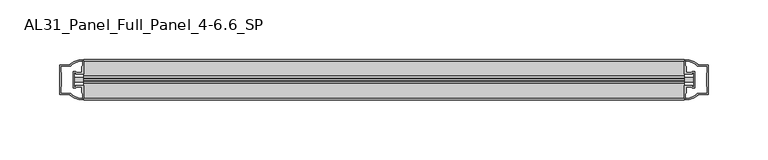
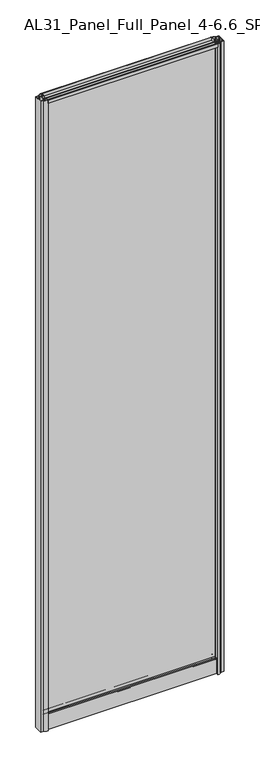
"""IFC4 building model written with IfcOpenShell, lengths in millimetres: plate geometry, AL31_Panel_Full_Panel_4-6.6_SP."""

import ifcopenshell
import ifcopenshell.guid

model = None  # the IFC model being written
_history = None  # IfcOwnerHistory: only IFC2X3 demands one
_inside = {}  # id of a spatial element -> (the spatial element, [elements in it])
_under = {}  # id of a project, library or spatial element -> (it, [spatial elements below it])
_declared = {}  # id of a project -> (the project, [libraries it declares])
_typed = {}  # id of a type object -> (the type object, [elements of that type])
_made_of = {}  # id of a material, layer set ... -> (it, [elements and type objects made of it])


def new_model(schema):
    """Start an empty IFC model of exactly this schema.

    Asked for "IFC4X3", IfcOpenShell would pick the latest addendum, in which some entities
    have other attributes; the version numbers below select the first issue.
    IFC2X3 requires an IfcOwnerHistory on every rooted entity: one is made here for all.
    """
    global model, _history
    if schema == "IFC4X3":
        model = ifcopenshell.file(schema_version=(4, 3, 0, 0))
    else:
        model = ifcopenshell.file(schema=schema)
    _inside.clear()
    _under.clear()
    _declared.clear()
    _typed.clear()
    _made_of.clear()
    _history = None
    if model.schema == "IFC2X3":
        org = make("IfcOrganization", Name="unknown")
        user = make(
            "IfcPersonAndOrganization",
            ThePerson=make("IfcPerson", FamilyName="unknown"),
            TheOrganization=org,
        )
        app = make(
            "IfcApplication",
            ApplicationDeveloper=org,
            Version="unknown",
            ApplicationFullName="unknown",
            ApplicationIdentifier="unknown",
        )
        _history = make(
            "IfcOwnerHistory",
            OwningUser=user,
            OwningApplication=app,
            ChangeAction="ADDED",
            CreationDate=0,
        )
    return model


def make(cls, **values):
    """One entity of the class cls with the attributes given. An attribute that is None is left unset."""
    return model.create_entity(
        cls, **{name: value for name, value in values.items() if value is not None}
    )


def rooted(cls, **values):
    """An entity with a GlobalId (a new one), such as an element, a storey or a relation."""
    return make(cls, GlobalId=ifcopenshell.guid.new(), OwnerHistory=_history, **values)


def si_unit(unit_type, name, prefix=None):
    """IfcSIUnit, for example si_unit("LENGTHUNIT", "METRE", prefix="MILLI")."""
    return make("IfcSIUnit", UnitType=unit_type, Prefix=prefix, Name=name)


def assignment(units):
    """IfcUnitAssignment: the units of a project."""
    return None if units is None else make("IfcUnitAssignment", Units=units)


def point(xyz):
    """IfcCartesianPoint."""
    return None if xyz is None else make("IfcCartesianPoint", Coordinates=xyz)


def direction(xyz):
    """IfcDirection."""
    return None if xyz is None else make("IfcDirection", DirectionRatios=xyz)


def frame(location, z_axis=None, x_axis=None):
    """IfcAxis2Placement3D, a coordinate frame: its origin and axes. An axis left out is left unset."""
    return make(
        "IfcAxis2Placement3D",
        Location=point(location),
        Axis=direction(z_axis),
        RefDirection=direction(x_axis),
    )


def frame_2d(location, x_axis=None):
    """IfcAxis2Placement2D, a coordinate frame in the plane: its origin and x axis."""
    return make(
        "IfcAxis2Placement2D", Location=point(location), RefDirection=direction(x_axis)
    )


def origin():
    """The frame at (0, 0, 0) with its axes left unset."""
    return frame((0.0, 0.0, 0.0))


def origin_with_axes():
    """The frame at (0, 0, 0) with the z axis (0, 0, 1) and the x axis (1, 0, 0) written out."""
    return frame((0.0, 0.0, 0.0), z_axis=(0.0, 0.0, 1.0), x_axis=(1.0, 0.0, 0.0))


def place(relative_to, where):
    """IfcLocalPlacement: puts the frame where relative to a parent placement (None: the world)."""
    return make(
        "IfcLocalPlacement", PlacementRelTo=relative_to, RelativePlacement=where
    )


def context(
    kind, dimensions, precision=None, world=None, true_north=None, identifier=None
):
    """IfcGeometricRepresentationContext, for example the 3D "Model" context."""
    return make(
        "IfcGeometricRepresentationContext",
        ContextIdentifier=identifier,
        ContextType=kind,
        CoordinateSpaceDimension=dimensions,
        Precision=precision,
        WorldCoordinateSystem=world,
        TrueNorth=true_north,
    )


def project(units=None, contexts=None):
    """IfcProject with its units and contexts."""
    return rooted(
        "IfcProject",
        Name="project",
        RepresentationContexts=contexts,
        UnitsInContext=assignment(units),
    )


def spatial(cls, under=None, at=None, **own):
    """A site, building, storey or space (cls), placed at a placement, below another one or the project."""
    s = rooted(cls, ObjectPlacement=at, **own)
    if under is not None:
        _under.setdefault(under.id(), (under, []))[1].append(s)
    return s


def polyline(points):
    """IfcPolyline through the points."""
    return make("IfcPolyline", Points=[point(p) for p in points])


def circle_curve(where, radius):
    """IfcCircle in the frame where."""
    return make("IfcCircle", Position=where, Radius=radius)


def trimmed(basis, trim1, trim2, sense, master):
    """IfcTrimmedCurve: the piece of a basis curve between two trims."""
    return make(
        "IfcTrimmedCurve",
        BasisCurve=basis,
        Trim1=trim1,
        Trim2=trim2,
        SenseAgreement=sense,
        MasterRepresentation=master,
    )


def segment(curve, same_sense, transition):
    """IfcCompositeCurveSegment."""
    return make(
        "IfcCompositeCurveSegment",
        Transition=transition,
        SameSense=same_sense,
        ParentCurve=curve,
    )


def composite_curve(segments, self_intersect=None):
    """IfcCompositeCurve: segments joined end to end."""
    return make("IfcCompositeCurve", Segments=segments, SelfIntersect=self_intersect)


def outline(outer, holes=None, kind="AREA"):
    """IfcArbitraryClosedProfileDef: a profile drawn as a closed curve; with holes, ...WithVoids."""
    if holes is None:
        return make("IfcArbitraryClosedProfileDef", ProfileType=kind, OuterCurve=outer)
    return make(
        "IfcArbitraryProfileDefWithVoids",
        ProfileType=kind,
        OuterCurve=outer,
        InnerCurves=holes,
    )


def extrude(swept, where, along, depth):
    """IfcExtrudedAreaSolid: the profile swept, set in the frame where, extruded along a direction by depth."""
    return make(
        "IfcExtrudedAreaSolid",
        SweptArea=swept,
        Position=where,
        ExtrudedDirection=direction(along),
        Depth=depth,
    )


def shape(context_of_items, identifier, shape_type, items):
    """IfcShapeRepresentation: the items that make up one representation, for example the "Body"."""
    return make(
        "IfcShapeRepresentation",
        ContextOfItems=context_of_items,
        RepresentationIdentifier=identifier,
        RepresentationType=shape_type,
        Items=items,
    )


def source(mapping_origin, context_of_items, identifier, shape_type, items):
    """IfcRepresentationMap: a shape defined once, which mapped items show again and again."""
    return make(
        "IfcRepresentationMap",
        MappingOrigin=mapping_origin,
        MappedRepresentation=shape(context_of_items, identifier, shape_type, items),
    )


def transform(
    local_origin,
    x_axis=None,
    y_axis=None,
    z_axis=None,
    scale=None,
    scale2=None,
    scale3=None,
    uniform=True,
):
    """IfcCartesianTransformationOperator3D, or its non-uniform kind. x_axis, y_axis, z_axis: its Axis1, 2, 3."""
    if uniform:
        return make(
            "IfcCartesianTransformationOperator3D",
            Axis1=direction(x_axis),
            Axis2=direction(y_axis),
            LocalOrigin=point(local_origin),
            Scale=scale,
            Axis3=direction(z_axis),
        )
    return make(
        "IfcCartesianTransformationOperator3DnonUniform",
        Axis1=direction(x_axis),
        Axis2=direction(y_axis),
        LocalOrigin=point(local_origin),
        Scale=scale,
        Axis3=direction(z_axis),
        Scale2=scale2,
        Scale3=scale3,
    )


def mapped(mapping_source, mapping_target):
    """IfcMappedItem: shows the shape of a source again, moved by a transform."""
    return make(
        "IfcMappedItem", MappingSource=mapping_source, MappingTarget=mapping_target
    )


def made_of(thing, what):
    """Note that an element or type object is made of a material, layer set ...; save() writes the relation."""
    if what is not None:
        _made_of.setdefault(what.id(), (what, []))[1].append(thing)
    return thing


def element(
    cls,
    number,
    at=None,
    inside=None,
    cuts=None,
    type_object=None,
    material=None,
    context=None,
    identifier="Body",
    shape_type=None,
    held_by="IfcProductDefinitionShape",
    body=None,
    shapes=None,
    **own,
):
    """One element of the class cls, such as IfcWall. Its Tag is "e" and its number.

    at: its placement. inside: the storey or other place that contains it. cuts: it is an
    opening in that element (IfcRelVoidsElement). A single representation is given by context,
    identifier, shape_type and body (its items); several are given by shapes. held_by: the class
    of the entity that holds the representations. save() writes the other relations.
    """
    e = rooted(cls, Tag="e%d" % number, ObjectPlacement=at, **own)
    if body is not None:
        shapes = [shape(context, identifier, shape_type, body)]
    if shapes is not None:
        e.Representation = make(held_by, Representations=shapes)
    if inside is not None:
        _inside.setdefault(inside.id(), (inside, []))[1].append(e)
    if cuts is not None:
        rooted(
            "IfcRelVoidsElement", RelatingBuildingElement=cuts, RelatedOpeningElement=e
        )
    if type_object is not None:
        _typed.setdefault(type_object.id(), (type_object, []))[1].append(e)
    return made_of(e, material)


def aggregate(whole, parts):
    """IfcRelAggregates: a whole, such as a stair, and the parts it consists of."""
    return rooted("IfcRelAggregates", RelatingObject=whole, RelatedObjects=parts)


def save(model, path):
    """Write the relations noted so far, then the file.

    IfcRelAggregates (storeys below a building ...), IfcRelContainedInSpatialStructure (elements
    in a storey), IfcRelDefinesByType, IfcRelAssociatesMaterial and IfcRelDeclares: one each for
    every whole, place, type object, material and project.
    """
    for whole, parts in _under.values():
        aggregate(whole, parts)
    for where, things in _inside.values():
        rooted(
            "IfcRelContainedInSpatialStructure",
            RelatedElements=things,
            RelatingStructure=where,
        )
    for kind, things in _typed.values():
        rooted("IfcRelDefinesByType", RelatedObjects=things, RelatingType=kind)
    for what, things in _made_of.values():
        rooted("IfcRelAssociatesMaterial", RelatedObjects=things, RelatingMaterial=what)
    for by, libraries in _declared.values():
        rooted("IfcRelDeclares", RelatingContext=by, RelatedDefinitions=libraries)
    model.write(path)


def al31_panel_full_panel_4_6_6_sp_80776787(model_context):
    return source(origin(), model_context, "Body", "SweptSolid", [
        extrude(outline(composite_curve([segment(polyline([(-1.4, 1968.8980762), (-0.85, 1967.9454483)]), True, "CONTINUOUS"), segment(trimmed(circle_curve(frame_2d((0.1, 1966.3)), 1.9), [point((-0.85, 1967.9454483))], [point((1.05, 1967.9454483))], True, "CARTESIAN"), True, "CONTINUOUS"), segment(polyline([(1.05, 1967.9454483), (1.6, 1968.8980762)]), True, "CONTINUOUS"), segment(trimmed(circle_curve(frame_2d((0.1, 1966.3)), 3.0), [point((1.6, 1968.8980762))], [point((2.5718414, 1964.6))], False, "CARTESIAN"), True, "CONTINUOUS"), segment(polyline([(2.5718414, 1964.6), (15.7, 1964.6), (15.7, 1974.0), (17.0, 1974.0), (17.0, 1963.5), (6.7024688, 1963.5), (6.7024688, 1962.7), (6.1968782, 1960.7785039), (6.1968782, 1956.1), (5.0, 1956.1), (5.0, 1961.4339746), (5.5, 1962.3), (5.5, 1963.5), (-5.5, 1963.5), (-5.5, 1962.3), (-5.0, 1961.4339746), (-5.0, 1956.1), (-6.1968782, 1956.1), (-6.1968782, 1960.7785039), (-6.7024688, 1962.7), (-6.7024688, 1963.5), (-17.0, 1963.5), (-17.0, 1974.0), (-15.7, 1974.0), (-15.7, 1964.6), (-2.3718414, 1964.6)]), True, "CONTINUOUS"), segment(trimmed(circle_curve(frame_2d((0.1, 1966.3)), 3.0), [point((-2.3718414, 1964.6))], [point((-1.4, 1968.8980762))], False, "CARTESIAN"), True, "CONTINUOUS")], self_intersect=False)), frame((-251.65, 0.0, 0.0), z_axis=(1.0, 0.0, 0.0), x_axis=(0.0, 1.0, 0.0)), (0.0, 0.0, 1.0), 503.3),
        extrude(outline(composite_curve([segment(polyline([(-259.4914214, -5.9), (-258.2914214, -5.9), (-258.2914214, -5.0), (-251.65, -5.0), (-251.65, -17.0001453)]), True, "CONTINUOUS"), segment(trimmed(circle_curve(frame_2d((-251.2853484, 2.9965302)), 20.0), [point((-251.65, -17.0001453))], [point((-263.0058352, -13.2093388))], False, "CARTESIAN"), True, "CONTINUOUS"), segment(polyline([(-263.0058352, -13.2093388), (-263.0058352, -12.3279343), (-271.65, -12.3279343), (-271.65, 12.3720657), (-263.0058352, 12.3720657), (-263.0058352, 13.2095249)]), True, "CONTINUOUS"), segment(trimmed(circle_curve(frame_2d((-251.2853484, -2.9963441)), 20.0), [point((-263.0058352, 13.2095249))], [point((-251.65, 17.0003314))], False, "CARTESIAN"), True, "CONTINUOUS"), segment(polyline([(-251.65, 17.0003314), (-251.65, 5.0), (-258.2914214, 5.0), (-258.2914214, 5.9), (-259.4914214, 5.9), (-259.4914214, -5.9)]), True, "CONTINUOUS")], self_intersect=False), holes=[composite_curve([segment(trimmed(circle_curve(frame_2d((-258.4914214, 5.7)), 1.5), [point((-258.4914214, 7.2))], [point((-257.1361671, 6.3428731))], False, "CARTESIAN"), True, "CONTINUOUS"), segment(polyline([(-257.1361671, 6.3428731), (-253.3914214, 6.3428731), (-253.3914214, 10.939223), (-252.9520815, 11.9998832), (-252.9520815, 15.6499817)]), True, "CONTINUOUS"), segment(trimmed(circle_curve(frame_2d((-251.2853484, -2.9755921)), 18.7), [point((-252.9520815, 15.6499817))], [point((-261.2921262, 12.8216987))], True, "CARTESIAN"), True, "CONTINUOUS"), segment(trimmed(circle_curve(frame_2d((-263.0914214, 12.8720657)), 1.8), [point((-261.2921262, 12.8216987))], [point((-263.0914214, 11.0720657))], False, "CARTESIAN"), True, "CONTINUOUS"), segment(polyline([(-263.0914214, 11.0720657), (-270.2328427, 11.0720657), (-270.2328427, 6.5019606), (-269.7914214, 5.439223), (-269.7914214, -5.3950916), (-270.2914214, -6.3879987), (-270.2914214, -11.0279343), (-263.0914214, -11.0279343)]), True, "CONTINUOUS"), segment(trimmed(circle_curve(frame_2d((-263.0914214, -12.8279343)), 1.8), [point((-263.0914214, -11.0279343))], [point((-261.2921262, -12.7775673))], False, "CARTESIAN"), True, "CONTINUOUS"), segment(trimmed(circle_curve(frame_2d((-251.2853484, 3.0197235)), 18.7), [point((-261.2921262, -12.7775673))], [point((-252.9520815, -15.6058503))], True, "CARTESIAN"), True, "CONTINUOUS"), segment(polyline([(-252.9520815, -15.6058503), (-252.9520815, -11.9557518), (-253.3914214, -10.8950916), (-253.3914214, -6.2991308), (-257.1162696, -6.2991308)]), True, "CONTINUOUS"), segment(trimmed(circle_curve(frame_2d((-258.4914214, -5.7)), 1.5), [point((-257.1162696, -6.2991308))], [point((-258.4914214, -7.2))], False, "CARTESIAN"), True, "CONTINUOUS"), segment(polyline([(-258.4914214, -7.2), (-260.7914214, -7.2), (-260.7914214, 7.2), (-258.4914214, 7.2)]), True, "CONTINUOUS")], self_intersect=False)]), origin_with_axes(), (0.0, 0.0, 1.0), 1974.0),
        extrude(outline(composite_curve([segment(polyline([(259.4914214, 5.9), (258.2914214, 5.9), (258.2914214, 5.0), (251.65, 5.0), (251.65, 17.0001453)]), True, "CONTINUOUS"), segment(trimmed(circle_curve(frame_2d((251.2853484, -2.9965302)), 20.0), [point((251.65, 17.0001453))], [point((263.0058352, 13.2093388))], False, "CARTESIAN"), True, "CONTINUOUS"), segment(polyline([(263.0058352, 13.2093388), (263.0058352, 12.3279343), (271.65, 12.3279343), (271.65, -12.3720657), (263.0058352, -12.3720657), (263.0058352, -13.2095249)]), True, "CONTINUOUS"), segment(trimmed(circle_curve(frame_2d((251.2853484, 2.9963441)), 20.0), [point((263.0058352, -13.2095249))], [point((251.65, -17.0003314))], False, "CARTESIAN"), True, "CONTINUOUS"), segment(polyline([(251.65, -17.0003314), (251.65, -5.0), (258.2914214, -5.0), (258.2914214, -5.9), (259.4914214, -5.9), (259.4914214, 5.9)]), True, "CONTINUOUS")], self_intersect=False), holes=[composite_curve([segment(trimmed(circle_curve(frame_2d((258.4914214, -5.7)), 1.5), [point((258.4914214, -7.2))], [point((257.1361671, -6.3428731))], False, "CARTESIAN"), True, "CONTINUOUS"), segment(polyline([(257.1361671, -6.3428731), (253.3914214, -6.3428731), (253.3914214, -10.939223), (252.9520815, -11.9998832), (252.9520815, -15.6499817)]), True, "CONTINUOUS"), segment(trimmed(circle_curve(frame_2d((251.2853484, 2.9755921)), 18.7), [point((252.9520815, -15.6499817))], [point((261.2921262, -12.8216987))], True, "CARTESIAN"), True, "CONTINUOUS"), segment(trimmed(circle_curve(frame_2d((263.0914214, -12.8720657)), 1.8), [point((261.2921262, -12.8216987))], [point((263.0914214, -11.0720657))], False, "CARTESIAN"), True, "CONTINUOUS"), segment(polyline([(263.0914214, -11.0720657), (270.2328427, -11.0720657), (270.2328427, -6.5019606), (269.7914214, -5.439223), (269.7914214, 5.3950916), (270.2914214, 6.3879987), (270.2914214, 11.0279343), (263.0914214, 11.0279343)]), True, "CONTINUOUS"), segment(trimmed(circle_curve(frame_2d((263.0914214, 12.8279343)), 1.8), [point((263.0914214, 11.0279343))], [point((261.2921262, 12.7775673))], False, "CARTESIAN"), True, "CONTINUOUS"), segment(trimmed(circle_curve(frame_2d((251.2853484, -3.0197235)), 18.7), [point((261.2921262, 12.7775673))], [point((252.9520815, 15.6058503))], True, "CARTESIAN"), True, "CONTINUOUS"), segment(polyline([(252.9520815, 15.6058503), (252.9520815, 11.9557518), (253.3914214, 10.8950916), (253.3914214, 6.2991308), (257.1162696, 6.2991308)]), True, "CONTINUOUS"), segment(trimmed(circle_curve(frame_2d((258.4914214, 5.7)), 1.5), [point((257.1162696, 6.2991308))], [point((258.4914214, 7.2))], False, "CARTESIAN"), True, "CONTINUOUS"), segment(polyline([(258.4914214, 7.2), (260.7914214, 7.2), (260.7914214, -7.2), (258.4914214, -7.2)]), True, "CONTINUOUS")], self_intersect=False)]), origin_with_axes(), (0.0, 0.0, 1.0), 1974.0),
        extrude(outline(composite_curve([segment(trimmed(circle_curve(frame_2d((-8.4, 34.8)), 1.0), [point((-8.4, 35.8))], [point((-9.4, 34.8))], True, "CARTESIAN"), True, "CONTINUOUS"), segment(polyline([(-9.4, 34.8), (-9.4, 33.5), (-5.0000303, 33.5), (-5.0000303, 32.3), (-9.4, 32.3), (-9.4, 0.0), (-10.6, 0.0), (-10.6, 47.3)]), True, "CONTINUOUS"), segment(trimmed(circle_curve(frame_2d((-8.6, 47.3)), 2.0), [point((-10.6, 47.3))], [point((-8.6, 49.3))], False, "CARTESIAN"), True, "CONTINUOUS"), segment(polyline([(-8.6, 49.3), (-5.0, 49.3), (-5.0, 41.9), (5.0, 41.9), (5.0, 49.3), (8.6, 49.3)]), True, "CONTINUOUS"), segment(trimmed(circle_curve(frame_2d((8.6, 47.3)), 2.0), [point((8.6, 49.3))], [point((10.6, 47.3))], False, "CARTESIAN"), True, "CONTINUOUS"), segment(polyline([(10.6, 47.3), (10.6, 0.0), (9.4, 0.0), (9.4, 32.3), (4.9999697, 32.3), (4.9999697, 33.5), (9.4, 33.5), (9.4, 34.8)]), True, "CONTINUOUS"), segment(trimmed(circle_curve(frame_2d((8.4, 34.8)), 1.0), [point((9.4, 34.8))], [point((8.4, 35.8))], True, "CARTESIAN"), True, "CONTINUOUS"), segment(polyline([(8.4, 35.8), (-8.4, 35.8)]), True, "CONTINUOUS")], self_intersect=False), holes=[composite_curve([segment(trimmed(circle_curve(frame_2d((5.5024688, 41.8)), 1.0), [point((6.5024688, 41.8))], [point((5.5024688, 40.8))], False, "CARTESIAN"), True, "CONTINUOUS"), segment(polyline([(5.5024688, 40.8), (2.8008965, 40.8), (2.8008965, 39.7274194), (1.8370508, 39.7274194)]), True, "CONTINUOUS"), segment(trimmed(circle_curve(frame_2d((0.0, 38.7)), 2.1048387), [point((1.8370508, 39.7274194))], [point((-1.8370508, 39.7274194))], True, "CARTESIAN"), True, "CONTINUOUS"), segment(polyline([(-1.8370508, 39.7274194), (-2.8008965, 39.7274194), (-2.8008965, 40.8), (-5.5024688, 40.8)]), True, "CONTINUOUS"), segment(trimmed(circle_curve(frame_2d((-5.5024688, 41.8)), 1.0), [point((-5.5024688, 40.8))], [point((-6.5024688, 41.8))], False, "CARTESIAN"), True, "CONTINUOUS"), segment(polyline([(-6.5024688, 41.8), (-6.5024688, 42.7)]), True, "CONTINUOUS"), segment(trimmed(circle_curve(frame_2d((-5.3024688, 42.7)), 1.2), [point((-6.5024688, 42.7))], [point((-6.1198184, 43.5786009))], False, "CARTESIAN"), True, "CONTINUOUS"), segment(polyline([(-6.1198184, 43.5786009), (-6.1198184, 48.2), (-8.4, 48.2)]), True, "CONTINUOUS"), segment(trimmed(circle_curve(frame_2d((-8.4, 47.2)), 1.0), [point((-8.4, 48.2))], [point((-9.4, 47.2))], True, "CARTESIAN"), True, "CONTINUOUS"), segment(polyline([(-9.4, 47.2), (-9.4, 37.04), (-2.8008965, 37.04), (-2.8008965, 38.0725806), (-1.8370508, 38.0725806)]), True, "CONTINUOUS"), segment(trimmed(circle_curve(frame_2d((0.0, 39.1)), 2.1048387), [point((-1.8370508, 38.0725806))], [point((1.8370508, 38.0725806))], True, "CARTESIAN"), True, "CONTINUOUS"), segment(polyline([(1.8370508, 38.0725806), (2.8008965, 38.0725806), (2.8008965, 37.04), (9.4, 37.04), (9.4, 47.2)]), True, "CONTINUOUS"), segment(trimmed(circle_curve(frame_2d((8.4, 47.2)), 1.0), [point((9.4, 47.2))], [point((8.4, 48.2))], True, "CARTESIAN"), True, "CONTINUOUS"), segment(polyline([(8.4, 48.2), (6.1198184, 48.2), (6.1198184, 43.7786009)]), True, "CONTINUOUS"), segment(trimmed(circle_curve(frame_2d((5.3024688, 42.9)), 1.2), [point((6.1198184, 43.7786009))], [point((6.5024688, 42.9))], False, "CARTESIAN"), True, "CONTINUOUS"), segment(polyline([(6.5024688, 42.9), (6.5024688, 41.8)]), True, "CONTINUOUS")], self_intersect=False)]), frame((-251.65, 0.0, 0.0), z_axis=(1.0, 0.0, 0.0), x_axis=(0.0, 1.0, 0.0)), (0.0, 0.0, 1.0), 503.3),
        extrude(outline(polyline([(259.4914214, 2.0), (259.4914214, -2.0), (-259.4914214, -2.0), (-259.4914214, 2.0), (259.4914214, 2.0)])), frame((0.0, 0.0, 41.9), z_axis=(0.0, 0.0, 1.0), x_axis=(1.0, 0.0, 0.0)), (0.0, 0.0, 1.0), 1921.6),
    ])


if __name__ == "__main__":
    model = new_model("IFC4")
    model_context = context("Model", 3, world=origin())
    ifc_project = project(units=[si_unit("LENGTHUNIT", "METRE", prefix="MILLI")], contexts=[model_context])
    site = spatial("IfcSite", under=ifc_project)
    building = spatial("IfcBuilding", under=site)
    placement = place(None, origin())
    al31_panel_full_panel_4_6_6_sp_shape = al31_panel_full_panel_4_6_6_sp_80776787(model_context)
    element("IfcPlate", 1, ObjectType="AL31_Panel_Full_Panel_4-6.6_SP", at=placement, inside=building, context=model_context, shape_type="MappedRepresentation", body=[
        mapped(al31_panel_full_panel_4_6_6_sp_shape, transform((0.0, 0.0, 0.0), x_axis=(1.0, 0.0, 0.0), y_axis=(0.0, 1.0, 0.0), z_axis=(0.0, 0.0, 1.0))),
    ])
    save(model, "model.ifc")
